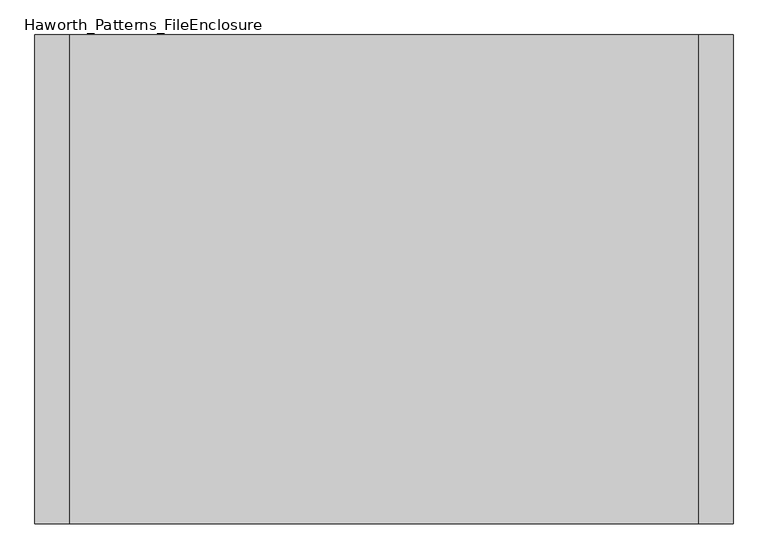
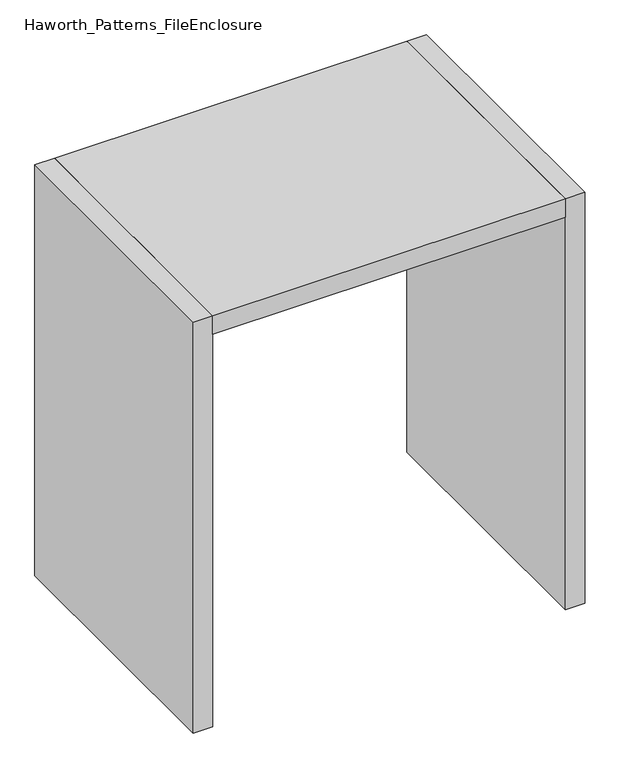
"""IFC4 building model written with IfcOpenShell, lengths in millimetres: furniture geometry, Haworth_Patterns_FileEnclosure."""

from ifc_helpers import new_model, si_unit, frame, origin, origin_with_axes, place, context, project, spatial, polyline, outline, extrude, source, transform, mapped, element, save


def haworth_patterns_fileenclosure_7ce01621(model_context):
    return source(origin(), model_context, "Body", "SweptSolid", [
        extrude(outline(polyline([(685.8, 0.0), (685.8, -1066.8), (-685.8, -1066.8), (-685.8, 0.0), (685.8, 0.0)])), frame((0.0, 0.0, 1612.9), z_axis=(0.0, 0.0, 1.0), x_axis=(1.0, 0.0, 0.0)), (0.0, 0.0, 1.0), 76.2),
        extrude(outline(polyline([(685.8, 0.0), (762.0, 0.0), (762.0, -1066.8), (685.8, -1066.8), (685.8, 0.0)])), origin_with_axes(), (0.0, 0.0, 1.0), 1689.1),
        extrude(outline(polyline([(-685.8, 0.0), (-685.8, -1066.8), (-762.0, -1066.8), (-762.0, 0.0), (-685.8, 0.0)])), origin_with_axes(), (0.0, 0.0, 1.0), 1689.1),
    ])


if __name__ == "__main__":
    model = new_model("IFC4")
    model_context = context("Model", 3, world=origin())
    ifc_project = project(units=[si_unit("LENGTHUNIT", "METRE", prefix="MILLI")], contexts=[model_context])
    site = spatial("IfcSite", under=ifc_project)
    building = spatial("IfcBuilding", under=site)
    placement = place(None, origin())
    haworth_patterns_fileenclosure_shape = haworth_patterns_fileenclosure_7ce01621(model_context)
    element("IfcFurniture", 1, ObjectType="Haworth_Patterns_FileEnclosure", at=placement, inside=building, context=model_context, shape_type="MappedRepresentation", body=[
        mapped(haworth_patterns_fileenclosure_shape, transform((0.0, 0.0, 0.0), x_axis=(1.0, 0.0, 0.0), y_axis=(0.0, 1.0, 0.0), z_axis=(0.0, 0.0, 1.0))),
    ])
    save(model, "model.ifc")
